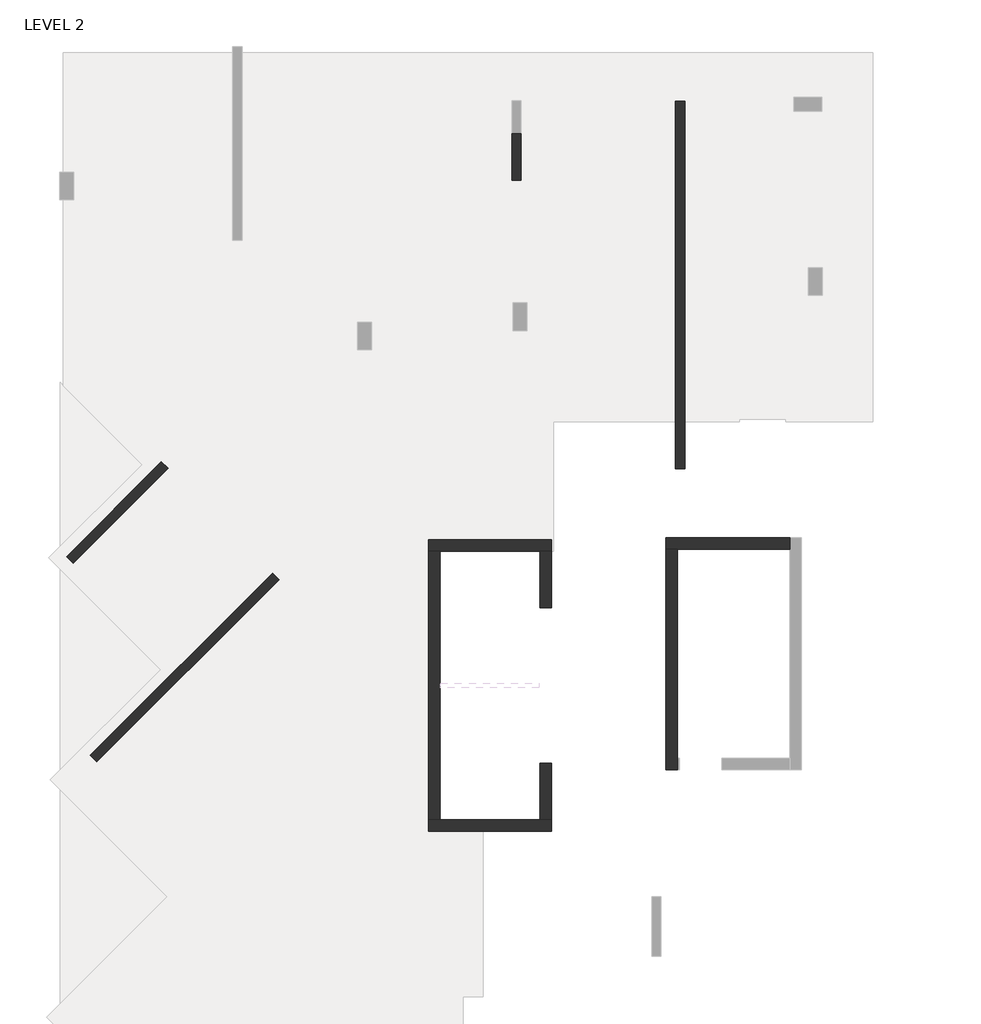
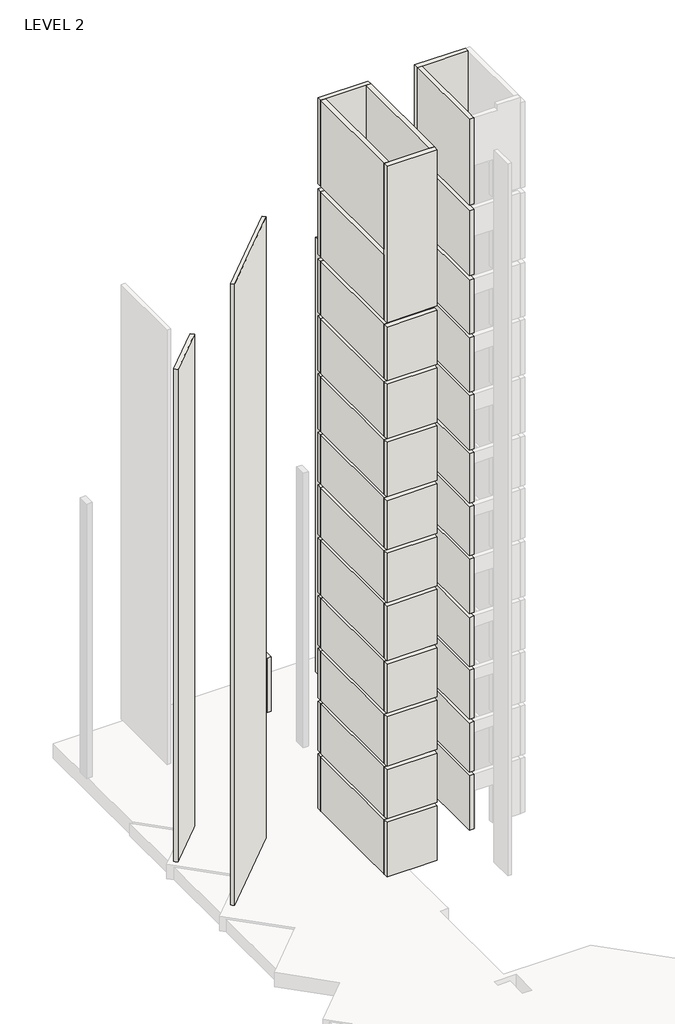
# One storey, part 3 of 9: 10 walls.
"""IFC4 building model written with IfcOpenShell, lengths in millimetres."""

from ifc_helpers import new_model, si_unit, frame, origin, place, context, project, spatial, polyline, outline, extrude, faceted_brep, element, save

model = new_model("IFC4")

# Units and contexts
model_context = context("Model", 3, world=origin())
ifc_project = project(units=[si_unit("LENGTHUNIT", "METRE", prefix="MILLI")], contexts=[model_context])

# Site, building, storey
site = spatial("IfcSite", under=ifc_project)
building = spatial("IfcBuilding", under=site)
storey = spatial("IfcBuildingStorey", under=building, Name="LEVEL 2", Elevation=6400.0)

# Walls
placement = place(None, origin())
element("IfcWall", 1, ObjectType="200 WALL", at=placement, inside=storey, context=model_context, shape_type="Brep", body=[
    faceted_brep([(182069.1923148, 206837.3952329, 6400.0), (178123.5364758, 202891.7393938, 6400.0), (178123.5364758, 202891.7393938, 41150.0), (182069.1923148, 206837.3952329, 41150.0), (182210.613671, 206695.9738766, 6400.0), (182210.613671, 206695.9738766, 41150.0), (180097.1039479, 204582.4641535, 41150.0), (178264.957832, 202750.3180376, 41150.0), (178264.957832, 202750.3180376, 40450.0), (178264.957832, 202750.3180376, 6400.0)], [[[0, 1, 2, 3]], [[4, 5, 6, 7, 8, 9]], [[1, 0, 4, 9]], [[2, 1, 9, 8, 7]], [[3, 2, 7, 6, 5]], [[0, 3, 5, 4]]]),
])
element("IfcWall", 2, ObjectType="200 WALL", at=placement, inside=storey, context=model_context, shape_type="SweptSolid", body=[
    extrude(outline(polyline([(190806.1491689, 209100.6983002), (190806.1491689, 217062.6490083), (191006.1491689, 217062.6490083), (191006.1491689, 209100.6983002), (190806.1491689, 209100.6983002)])), frame((0.0, 0.0, 6400.0), z_axis=(0.0, 0.0, 1.0), x_axis=(1.0, 0.0, 0.0)), (0.0, 0.0, 1.0), 24300.0),
])
element("IfcWall", 3, ObjectType="200 WALL", at=placement, inside=storey, context=model_context, shape_type="SweptSolid", body=[
    extrude(outline(polyline([(177611.623612, 207195.22371), (179662.4109468, 209246.0110447), (179803.832303, 209104.5896885), (177753.0449682, 207053.8023537), (177611.623612, 207195.22371)])), frame((0.0, 0.0, 6400.0), z_axis=(0.0, 0.0, 1.0), x_axis=(1.0, 0.0, 0.0)), (0.0, 0.0, 1.0), 27550.0),
])
element("IfcWall", 4, ObjectType="200 WALL", at=placement, inside=storey, context=model_context, shape_type="Brep", body=[
    faceted_brep([(187456.1491689, 215350.1490053, 6400.0), (187456.1491689, 216350.1490053, 6400.0), (187456.1491689, 216350.1490053, 6425.0), (187456.1491689, 216350.1490053, 9450.0), (187456.1491689, 215350.1490053, 9450.0), (187256.1491689, 215350.1490053, 6400.0), (187256.1491689, 215350.1490053, 9450.0), (187256.1491689, 216350.1490053, 9450.0), (187256.1491689, 216350.1490053, 6425.0), (187256.1491689, 216350.1490053, 6400.0)], [[[0, 1, 2, 3, 4]], [[5, 6, 7, 8, 9]], [[1, 0, 5, 9]], [[3, 2, 1, 9, 8, 7]], [[4, 3, 7, 6]], [[0, 4, 6, 5]]]),
])
element("IfcWall", 5, ObjectType="250 WALL", at=placement, inside=storey, context=model_context, shape_type="Brep", body=[
    faceted_brep([(190591.1489175, 207358.1983002, 6400.0), (190841.1489175, 207358.1983002, 6400.0), (193281.1958691, 207358.1983002, 6400.0), (193281.1958691, 207358.1983002, 9450.0), (190841.1489175, 207358.1983002, 9450.0), (190591.1489175, 207358.1983002, 9450.0), (193281.1958691, 207608.1983002, 6400.0), (190591.1489175, 207608.1983002, 6400.0), (190591.1489175, 207608.1983002, 9450.0), (193281.1958691, 207608.1983002, 9450.0)], [[[0, 1, 2, 3, 4, 5]], [[6, 7, 8, 9]], [[2, 1, 0, 7, 6]], [[7, 0, 5, 8]], [[2, 6, 9, 3]], [[4, 3, 9, 8, 5]]]),
    faceted_brep([(193281.1958691, 207358.1983002, 46150.0), (190841.1489175, 207358.1983002, 46150.0), (190591.1489175, 207358.1983002, 46150.0), (190591.1489175, 207358.1983002, 41350.0), (190841.1489175, 207358.1983002, 41350.0), (193281.1958691, 207358.1983002, 41350.0), (190591.1489175, 207608.1983002, 46150.0), (193281.1958691, 207608.1983002, 46150.0), (193281.1958691, 207608.1983002, 41350.0), (190591.1489175, 207608.1983002, 41350.0)], [[[0, 1, 2, 3, 4, 5]], [[6, 7, 8, 9]], [[2, 1, 0, 7, 6]], [[2, 6, 9, 3]], [[7, 0, 5, 8]], [[4, 3, 9, 8, 5]]]),
    faceted_brep([(193281.1958691, 207358.1983002, 30700.0), (190841.1489175, 207358.1983002, 30700.0), (190591.1489175, 207358.1983002, 30700.0), (190591.1489175, 207358.1983002, 27650.0), (190841.1489175, 207358.1983002, 27650.0), (193281.1958691, 207358.1983002, 27650.0), (190591.1489175, 207608.1983002, 30700.0), (193281.1958691, 207608.1983002, 30700.0), (193281.1958691, 207608.1983002, 27650.0), (190591.1489175, 207608.1983002, 27650.0)], [[[0, 1, 2, 3, 4, 5]], [[6, 7, 8, 9]], [[2, 6, 9, 3]], [[7, 0, 5, 8]], [[1, 0, 7, 6, 2]], [[5, 4, 3, 9, 8]]]),
    faceted_brep([(190841.1489175, 207358.1983002, 30900.0), (193281.1958691, 207358.1983002, 30900.0), (193281.1958691, 207358.1983002, 33950.0), (190841.1489175, 207358.1983002, 33950.0), (190591.1489175, 207358.1983002, 33950.0), (190591.1489175, 207358.1983002, 30900.0), (193281.1958691, 207608.1983002, 30900.0), (190591.1489175, 207608.1983002, 30900.0), (190591.1489175, 207608.1983002, 33950.0), (193281.1958691, 207608.1983002, 33950.0)], [[[0, 1, 2, 3, 4, 5]], [[6, 7, 8, 9]], [[7, 5, 4, 8]], [[1, 6, 9, 2]], [[1, 0, 5, 7, 6]], [[4, 3, 2, 9, 8]]]),
    faceted_brep([(193281.1958691, 207358.1983002, 27450.0), (190841.1489175, 207358.1983002, 27450.0), (190591.1489175, 207358.1983002, 27450.0), (190591.1489175, 207358.1983002, 24700.0), (190841.1489175, 207358.1983002, 24700.0), (193281.1958691, 207358.1983002, 24700.0), (190591.1489175, 207608.1983002, 27450.0), (193281.1958691, 207608.1983002, 27450.0), (193281.1958691, 207608.1983002, 24700.0), (190591.1489175, 207608.1983002, 24700.0)], [[[0, 1, 2, 3, 4, 5]], [[6, 7, 8, 9]], [[2, 6, 9, 3]], [[7, 0, 5, 8]], [[1, 0, 7, 6, 2]], [[4, 3, 9, 8, 5]]]),
    faceted_brep([(190591.1489175, 207358.1983002, 34150.0), (190841.1489175, 207358.1983002, 34150.0), (193281.1958691, 207358.1983002, 34150.0), (193281.1958691, 207358.1983002, 37150.0), (190841.1489175, 207358.1983002, 37150.0), (190591.1489175, 207358.1983002, 37150.0), (193281.1958691, 207608.1983002, 34150.0), (190591.1489175, 207608.1983002, 34150.0), (190591.1489175, 207608.1983002, 37150.0), (193281.1958691, 207608.1983002, 37150.0)], [[[0, 1, 2, 3, 4, 5]], [[6, 7, 8, 9]], [[7, 0, 5, 8]], [[2, 6, 9, 3]], [[1, 0, 7, 6, 2]], [[5, 4, 3, 9, 8]]]),
    faceted_brep([(190591.1489175, 207358.1983002, 37400.0), (190841.1489175, 207358.1983002, 37400.0), (193281.1958691, 207358.1983002, 37400.0), (193281.1958691, 207358.1983002, 41050.0), (190841.1489175, 207358.1983002, 41050.0), (190591.1489175, 207358.1983002, 41050.0), (193281.1958691, 207608.1983002, 37400.0), (190591.1489175, 207608.1983002, 37400.0), (190591.1489175, 207608.1983002, 41050.0), (193281.1958691, 207608.1983002, 41050.0)], [[[0, 1, 2, 3, 4, 5]], [[6, 7, 8, 9]], [[7, 0, 5, 8]], [[2, 6, 9, 3]], [[1, 0, 7, 6, 2]], [[5, 4, 3, 9, 8]]]),
    faceted_brep([(193281.1958691, 207358.1983002, 21550.0), (190841.1489175, 207358.1983002, 21550.0), (190591.1489175, 207358.1983002, 21550.0), (190591.1489175, 207358.1983002, 18500.0), (190841.1489175, 207358.1983002, 18500.0), (193281.1958691, 207358.1983002, 18500.0), (190591.1489175, 207608.1983002, 21550.0), (193281.1958691, 207608.1983002, 21550.0), (193281.1958691, 207608.1983002, 18500.0), (190591.1489175, 207608.1983002, 18500.0)], [[[0, 1, 2, 3, 4, 5]], [[6, 7, 8, 9]], [[2, 6, 9, 3]], [[7, 0, 5, 8]], [[1, 0, 7, 6, 2]], [[5, 4, 3, 9, 8]]]),
    faceted_brep([(190841.1489175, 207358.1983002, 21750.0), (193281.1958691, 207358.1983002, 21750.0), (193281.1958691, 207358.1983002, 24500.0), (190841.1489175, 207358.1983002, 24500.0), (190591.1489175, 207358.1983002, 24500.0), (190591.1489175, 207358.1983002, 21750.0), (193281.1958691, 207608.1983002, 21750.0), (190591.1489175, 207608.1983002, 21750.0), (190591.1489175, 207608.1983002, 24500.0), (193281.1958691, 207608.1983002, 24500.0)], [[[0, 1, 2, 3, 4, 5]], [[6, 7, 8, 9]], [[7, 5, 4, 8]], [[1, 6, 9, 2]], [[1, 0, 5, 7, 6]], [[4, 3, 2, 9, 8]]]),
    faceted_brep([(193281.1958691, 207358.1983002, 18300.0), (190841.1489175, 207358.1983002, 18300.0), (190591.1489175, 207358.1983002, 18300.0), (190591.1489175, 207358.1983002, 15550.0), (190841.1489175, 207358.1983002, 15550.0), (193281.1958691, 207358.1983002, 15550.0), (190591.1489175, 207608.1983002, 18300.0), (193281.1958691, 207608.1983002, 18300.0), (193281.1958691, 207608.1983002, 15550.0), (190591.1489175, 207608.1983002, 15550.0)], [[[0, 1, 2, 3, 4, 5]], [[6, 7, 8, 9]], [[2, 6, 9, 3]], [[7, 0, 5, 8]], [[1, 0, 7, 6, 2]], [[5, 4, 3, 9, 8]]]),
    faceted_brep([(193281.1958691, 207358.1983002, 15350.0), (190841.1489175, 207358.1983002, 15350.0), (190591.1489175, 207358.1983002, 15350.0), (190591.1489175, 207358.1983002, 12600.0), (190841.1489175, 207358.1983002, 12600.0), (193281.1958691, 207358.1983002, 12600.0), (190591.1489175, 207608.1983002, 15350.0), (193281.1958691, 207608.1983002, 15350.0), (193281.1958691, 207608.1983002, 12600.0), (190591.1489175, 207608.1983002, 12600.0)], [[[0, 1, 2, 3, 4, 5]], [[6, 7, 8, 9]], [[2, 6, 9, 3]], [[7, 0, 5, 8]], [[1, 0, 7, 6, 2]], [[5, 4, 3, 9, 8]]]),
    faceted_brep([(193281.1958691, 207358.1983002, 12400.0), (190841.1489175, 207358.1983002, 12400.0), (190591.1489175, 207358.1983002, 12400.0), (190591.1489175, 207358.1983002, 9650.0), (190841.1489175, 207358.1983002, 9650.0), (193281.1958691, 207358.1983002, 9650.0), (190591.1489175, 207608.1983002, 12400.0), (193281.1958691, 207608.1983002, 12400.0), (193281.1958691, 207608.1983002, 9650.0), (190591.1489175, 207608.1983002, 9650.0)], [[[0, 1, 2, 3, 4, 5]], [[6, 7, 8, 9]], [[2, 6, 9, 3]], [[7, 0, 5, 8]], [[1, 0, 7, 6, 2]], [[5, 4, 3, 9, 8]]]),
])
element("IfcWall", 6, ObjectType="250 WALL", at=placement, inside=storey, context=model_context, shape_type="Brep", body=[
    faceted_brep([(190841.1489175, 202578.1983002, 6400.0), (190841.1489175, 202828.1983002, 6400.0), (190841.1489175, 207358.1983002, 6400.0), (190841.1489175, 207358.1983002, 9450.0), (190841.1489175, 204453.1983002, 9450.0), (190841.1489175, 202578.1983002, 9450.0), (190591.1489175, 207358.1983002, 6400.0), (190591.1489175, 202578.1983002, 6400.0), (190591.1489175, 202578.1983002, 9450.0), (190591.1489175, 207358.1983002, 9450.0)], [[[0, 1, 2, 3, 4, 5]], [[6, 7, 8, 9]], [[2, 1, 0, 7, 6]], [[2, 6, 9, 3]], [[7, 0, 5, 8]], [[4, 3, 9, 8, 5]]]),
    faceted_brep([(190841.1489175, 204453.1983002, 9650.0), (190841.1489175, 207358.1983002, 9650.0), (190841.1489175, 207358.1983002, 12400.0), (190841.1489175, 204453.1983002, 12400.0), (190841.1489175, 202578.1983002, 12400.0), (190841.1489175, 202578.1983002, 9650.0), (190591.1489175, 207358.1983002, 9650.0), (190591.1489175, 202578.1983002, 9650.0), (190591.1489175, 202578.1983002, 12400.0), (190591.1489175, 207358.1983002, 12400.0)], [[[0, 1, 2, 3, 4, 5]], [[6, 7, 8, 9]], [[1, 6, 9, 2]], [[7, 5, 4, 8]], [[1, 0, 5, 7, 6]], [[4, 3, 2, 9, 8]]]),
    faceted_brep([(190841.1489175, 202578.1983002, 12600.0), (190841.1489175, 204453.1983002, 12600.0), (190841.1489175, 207358.1983002, 12600.0), (190841.1489175, 207358.1983002, 15350.0), (190841.1489175, 204453.1983002, 15350.0), (190841.1489175, 202578.1983002, 15350.0), (190591.1489175, 207358.1983002, 12600.0), (190591.1489175, 202578.1983002, 12600.0), (190591.1489175, 202578.1983002, 15350.0), (190591.1489175, 207358.1983002, 15350.0)], [[[0, 1, 2, 3, 4, 5]], [[6, 7, 8, 9]], [[2, 6, 9, 3]], [[7, 0, 5, 8]], [[1, 0, 7, 6, 2]], [[5, 4, 3, 9, 8]]]),
    faceted_brep([(190841.1489175, 202578.1983002, 15550.0), (190841.1489175, 204453.1983002, 15550.0), (190841.1489175, 207358.1983002, 15550.0), (190841.1489175, 207358.1983002, 18300.0), (190841.1489175, 204453.1983002, 18300.0), (190841.1489175, 202578.1983002, 18300.0), (190591.1489175, 207358.1983002, 15550.0), (190591.1489175, 202578.1983002, 15550.0), (190591.1489175, 202578.1983002, 18300.0), (190591.1489175, 207358.1983002, 18300.0)], [[[0, 1, 2, 3, 4, 5]], [[6, 7, 8, 9]], [[2, 6, 9, 3]], [[7, 0, 5, 8]], [[1, 0, 7, 6, 2]], [[5, 4, 3, 9, 8]]]),
    faceted_brep([(190841.1489175, 202578.1983002, 18500.0), (190841.1489175, 204453.1983002, 18500.0), (190841.1489175, 207358.1983002, 18500.0), (190841.1489175, 207358.1983002, 21550.0), (190841.1489175, 204198.1983002, 21550.0), (190841.1489175, 202578.1983002, 21550.0), (190591.1489175, 207358.1983002, 18500.0), (190591.1489175, 202578.1983002, 18500.0), (190591.1489175, 202578.1983002, 21550.0), (190591.1489175, 207358.1983002, 21550.0)], [[[0, 1, 2, 3, 4, 5]], [[6, 7, 8, 9]], [[2, 6, 9, 3]], [[7, 0, 5, 8]], [[1, 0, 7, 6, 2]], [[5, 4, 3, 9, 8]]]),
    faceted_brep([(190841.1489175, 202578.1983002, 21750.0), (190841.1489175, 204198.1983002, 21750.0), (190841.1489175, 207358.1983002, 21750.0), (190841.1489175, 207358.1983002, 24500.0), (190841.1489175, 204453.1983002, 24500.0), (190841.1489175, 202578.1983002, 24500.0), (190591.1489175, 207358.1983002, 21750.0), (190591.1489175, 202578.1983002, 21750.0), (190591.1489175, 202578.1983002, 24500.0), (190591.1489175, 207358.1983002, 24500.0)], [[[0, 1, 2, 3, 4, 5]], [[6, 7, 8, 9]], [[2, 6, 9, 3]], [[7, 0, 5, 8]], [[1, 0, 7, 6, 2]], [[5, 4, 3, 9, 8]]]),
    faceted_brep([(190841.1489175, 202578.1983002, 24700.0), (190841.1489175, 204453.1983002, 24700.0), (190841.1489175, 207358.1983002, 24700.0), (190841.1489175, 207358.1983002, 27450.0), (190841.1489175, 204453.1983002, 27450.0), (190841.1489175, 202578.1983002, 27450.0), (190591.1489175, 207358.1983002, 24700.0), (190591.1489175, 202578.1983002, 24700.0), (190591.1489175, 202578.1983002, 27450.0), (190591.1489175, 207358.1983002, 27450.0)], [[[0, 1, 2, 3, 4, 5]], [[6, 7, 8, 9]], [[2, 6, 9, 3]], [[7, 0, 5, 8]], [[1, 0, 7, 6, 2]], [[5, 4, 3, 9, 8]]]),
    faceted_brep([(190841.1489175, 202578.1983002, 27650.0), (190841.1489175, 204453.1983002, 27650.0), (190841.1489175, 207358.1983002, 27650.0), (190841.1489175, 207358.1983002, 30700.0), (190841.1489175, 204198.1983002, 30700.0), (190841.1489175, 202578.1983002, 30700.0), (190591.1489175, 207358.1983002, 27650.0), (190591.1489175, 202578.1983002, 27650.0), (190591.1489175, 202578.1983002, 30700.0), (190591.1489175, 207358.1983002, 30700.0)], [[[0, 1, 2, 3, 4, 5]], [[6, 7, 8, 9]], [[2, 6, 9, 3]], [[7, 0, 5, 8]], [[1, 0, 7, 6, 2]], [[5, 4, 3, 9, 8]]]),
    faceted_brep([(190841.1489175, 202578.1983002, 30900.0), (190841.1489175, 204198.1983002, 30900.0), (190841.1489175, 207358.1983002, 30900.0), (190841.1489175, 207358.1983002, 33950.0), (190841.1489175, 204198.1983002, 33950.0), (190841.1489175, 202578.1983002, 33950.0), (190591.1489175, 207358.1983002, 30900.0), (190591.1489175, 202578.1983002, 30900.0), (190591.1489175, 202578.1983002, 33950.0), (190591.1489175, 207358.1983002, 33950.0)], [[[0, 1, 2, 3, 4, 5]], [[6, 7, 8, 9]], [[2, 6, 9, 3]], [[7, 0, 5, 8]], [[1, 0, 7, 6, 2]], [[5, 4, 3, 9, 8]]]),
    faceted_brep([(190841.1489175, 202578.1983002, 34150.0), (190841.1489175, 204198.1983002, 34150.0), (190841.1489175, 207358.1983002, 34150.0), (190841.1489175, 207358.1983002, 37150.0), (190841.1489175, 204198.1983002, 37150.0), (190841.1489175, 202578.1983002, 37150.0), (190591.1489175, 207358.1983002, 34150.0), (190591.1489175, 202578.1983002, 34150.0), (190591.1489175, 202578.1983002, 37150.0), (190591.1489175, 207358.1983002, 37150.0)], [[[0, 1, 2, 3, 4, 5]], [[6, 7, 8, 9]], [[2, 6, 9, 3]], [[7, 0, 5, 8]], [[1, 0, 7, 6, 2]], [[5, 4, 3, 9, 8]]]),
    faceted_brep([(190841.1489175, 202578.1983002, 37400.0), (190841.1489175, 204198.1983002, 37400.0), (190841.1489175, 207358.1983002, 37400.0), (190841.1489175, 207358.1983002, 41050.0), (190841.1489175, 202578.1983002, 41050.0), (190591.1489175, 207358.1983002, 37400.0), (190591.1489175, 202578.1983002, 37400.0), (190591.1489175, 202578.1983002, 41050.0), (190591.1489175, 207358.1983002, 41050.0)], [[[0, 1, 2, 3, 4]], [[5, 6, 7, 8]], [[2, 5, 8, 3]], [[6, 0, 4, 7]], [[1, 0, 6, 5, 2]], [[4, 3, 8, 7]]]),
    faceted_brep([(190841.1489175, 202578.1983002, 41350.0), (190841.1489175, 207358.1983002, 41350.0), (190841.1489175, 207358.1983002, 46150.0), (190841.1489175, 202578.1983002, 46150.0), (190591.1489175, 207358.1983002, 41350.0), (190591.1489175, 202578.1983002, 41350.0), (190591.1489175, 202578.1983002, 46150.0), (190591.1489175, 207358.1983002, 46150.0)], [[[0, 1, 2, 3]], [[4, 5, 6, 7]], [[1, 4, 7, 2]], [[5, 0, 3, 6]], [[1, 0, 5, 4]], [[3, 2, 7, 6]]]),
])
element("IfcWall", 7, ObjectType="250 WALL", at=placement, inside=storey, context=model_context, shape_type="SweptSolid", body=[
    extrude(outline(polyline([(202718.2322067, 8635.0), (202718.2322067, 6400.0), (201493.1983002, 6400.0), (201493.1983002, 9450.0), (207308.1983002, 9450.0), (207308.1983002, 6400.0), (206083.2322067, 6400.0), (206083.2322067, 8635.0), (202718.2322067, 8635.0)])), frame((187861.1489205, 0.0, 0.0), z_axis=(1.0, 0.0, 0.0), x_axis=(0.0, 1.0, 0.0)), (0.0, 0.0, 1.0), 250.0),
    extrude(outline(polyline([(202718.2322067, 11885.0), (202718.2322067, 9650.0), (201493.1983002, 9650.0), (201493.1983002, 12400.0), (207308.1983002, 12400.0), (207308.1983002, 9650.0), (206083.2322067, 9650.0), (206083.2322067, 11885.0), (202718.2322067, 11885.0)])), frame((187861.1489205, 0.0, 0.0), z_axis=(1.0, 0.0, 0.0), x_axis=(0.0, 1.0, 0.0)), (0.0, 0.0, 1.0), 250.0),
    extrude(outline(polyline([(202718.2322067, 14835.0), (202718.2322067, 12600.0), (201493.1983002, 12600.0), (201493.1983002, 15350.0), (207308.1983002, 15350.0), (207308.1983002, 12600.0), (206083.2322067, 12600.0), (206083.2322067, 14835.0), (202718.2322067, 14835.0)])), frame((187861.1489205, 0.0, 0.0), z_axis=(1.0, 0.0, 0.0), x_axis=(0.0, 1.0, 0.0)), (0.0, 0.0, 1.0), 250.0),
    extrude(outline(polyline([(202718.2322067, 17785.0), (202718.2322067, 15550.0), (201493.1983002, 15550.0), (201493.1983002, 18300.0), (207308.1983002, 18300.0), (207308.1983002, 15550.0), (206083.2322067, 15550.0), (206083.2322067, 17785.0), (202718.2322067, 17785.0)])), frame((187861.1489205, 0.0, 0.0), z_axis=(1.0, 0.0, 0.0), x_axis=(0.0, 1.0, 0.0)), (0.0, 0.0, 1.0), 250.0),
    extrude(outline(polyline([(202718.2322067, 20735.0), (202718.2322067, 18500.0), (201493.1983002, 18500.0), (201493.1983002, 21550.0), (207308.1983002, 21550.0), (207308.1983002, 18500.0), (206083.2322067, 18500.0), (206083.2322067, 20735.0), (202718.2322067, 20735.0)])), frame((187861.1489205, 0.0, 0.0), z_axis=(1.0, 0.0, 0.0), x_axis=(0.0, 1.0, 0.0)), (0.0, 0.0, 1.0), 250.0),
    extrude(outline(polyline([(202718.2322067, 23985.0), (202718.2322067, 21750.0), (201493.1983002, 21750.0), (201493.1983002, 24500.0), (207308.1983002, 24500.0), (207308.1983002, 21750.0), (206083.2322067, 21750.0), (206083.2322067, 23985.0), (202718.2322067, 23985.0)])), frame((187861.1489205, 0.0, 0.0), z_axis=(1.0, 0.0, 0.0), x_axis=(0.0, 1.0, 0.0)), (0.0, 0.0, 1.0), 250.0),
    extrude(outline(polyline([(202718.2322067, 26935.0), (202718.2322067, 24700.0), (201493.1983002, 24700.0), (201493.1983002, 27450.0), (207308.1983002, 27450.0), (207308.1983002, 24700.0), (206083.2322067, 24700.0), (206083.2322067, 26935.0), (202718.2322067, 26935.0)])), frame((187861.1489205, 0.0, 0.0), z_axis=(1.0, 0.0, 0.0), x_axis=(0.0, 1.0, 0.0)), (0.0, 0.0, 1.0), 250.0),
    extrude(outline(polyline([(202718.2322067, 29885.0), (202718.2322067, 27650.0), (201493.1983002, 27650.0), (201493.1983002, 30700.0), (207308.1983002, 30700.0), (207308.1983002, 27650.0), (206083.2322067, 27650.0), (206083.2322067, 29885.0), (202718.2322067, 29885.0)])), frame((187861.1489205, 0.0, 0.0), z_axis=(1.0, 0.0, 0.0), x_axis=(0.0, 1.0, 0.0)), (0.0, 0.0, 1.0), 250.0),
    extrude(outline(polyline([(202718.2322067, 33135.0), (202718.2322067, 30900.0), (201493.1983002, 30900.0), (201493.1983002, 33950.0), (207308.1983002, 33950.0), (207308.1983002, 30900.0), (206083.2322067, 30900.0), (206083.2322067, 33135.0), (202718.2322067, 33135.0)])), frame((187861.1489205, 0.0, 0.0), z_axis=(1.0, 0.0, 0.0), x_axis=(0.0, 1.0, 0.0)), (0.0, 0.0, 1.0), 250.0),
    extrude(outline(polyline([(202718.2322067, 36385.0), (202718.2322067, 34150.0), (201493.1983002, 34150.0), (201493.1983002, 37150.0), (207308.1983002, 37150.0), (207308.1983002, 34150.0), (206083.2322067, 34150.0), (206083.2322067, 36385.0), (202718.2322067, 36385.0)])), frame((187861.1489205, 0.0, 0.0), z_axis=(1.0, 0.0, 0.0), x_axis=(0.0, 1.0, 0.0)), (0.0, 0.0, 1.0), 250.0),
    extrude(outline(polyline([(202718.2322067, 39635.0), (202718.2322067, 37400.0), (201493.1983002, 37400.0), (201493.1983002, 46150.0), (207308.1983002, 46150.0), (207308.1983002, 41350.0), (202193.1983002, 41350.0), (202193.1983002, 41050.0), (207308.1983002, 41050.0), (207308.1983002, 37400.0), (206083.2322067, 37400.0), (206083.2322067, 39635.0), (202718.2322067, 39635.0)])), frame((187861.1489205, 0.0, 0.0), z_axis=(1.0, 0.0, 0.0), x_axis=(0.0, 1.0, 0.0)), (0.0, 0.0, 1.0), 250.0),
])
element("IfcWall", 8, ObjectType="250 WALL", at=placement, inside=storey, context=model_context, shape_type="SweptSolid", body=[
    extrude(outline(polyline([(185451.1489205, 201493.1983002), (185451.1489205, 207308.1983002), (185701.1489205, 207308.1983002), (185701.1489205, 201493.1983002), (185451.1489205, 201493.1983002)])), frame((0.0, 0.0, 6400.0), z_axis=(0.0, 0.0, 1.0), x_axis=(1.0, 0.0, 0.0)), (0.0, 0.0, 1.0), 3050.0),
    extrude(outline(polyline([(185451.1489205, 201493.1983002), (185451.1489205, 207308.1983002), (185701.1489205, 207308.1983002), (185701.1489205, 201493.1983002), (185451.1489205, 201493.1983002)])), frame((0.0, 0.0, 27650.0), z_axis=(0.0, 0.0, 1.0), x_axis=(1.0, 0.0, 0.0)), (0.0, 0.0, 1.0), 3050.0),
    extrude(outline(polyline([(185451.1489205, 201493.1983002), (185451.1489205, 207308.1983002), (185701.1489205, 207308.1983002), (185701.1489205, 201493.1983002), (185451.1489205, 201493.1983002)])), frame((0.0, 0.0, 30900.0), z_axis=(0.0, 0.0, 1.0), x_axis=(1.0, 0.0, 0.0)), (0.0, 0.0, 1.0), 3050.0),
    extrude(outline(polyline([(185451.1489205, 201493.1983002), (185451.1489205, 207308.1983002), (185701.1489205, 207308.1983002), (185701.1489205, 201493.1983002), (185451.1489205, 201493.1983002)])), frame((0.0, 0.0, 21750.0), z_axis=(0.0, 0.0, 1.0), x_axis=(1.0, 0.0, 0.0)), (0.0, 0.0, 1.0), 2750.0),
    extrude(outline(polyline([(185451.1489205, 201493.1983002), (185451.1489205, 207308.1983002), (185701.1489205, 207308.1983002), (185701.1489205, 201493.1983002), (185451.1489205, 201493.1983002)])), frame((0.0, 0.0, 24700.0), z_axis=(0.0, 0.0, 1.0), x_axis=(1.0, 0.0, 0.0)), (0.0, 0.0, 1.0), 2750.0),
    extrude(outline(polyline([(185451.1489205, 201493.1983002), (185451.1489205, 207308.1983002), (185701.1489205, 207308.1983002), (185701.1489205, 201493.1983002), (185451.1489205, 201493.1983002)])), frame((0.0, 0.0, 34150.0), z_axis=(0.0, 0.0, 1.0), x_axis=(1.0, 0.0, 0.0)), (0.0, 0.0, 1.0), 3000.0),
    extrude(outline(polyline([(185451.1489205, 201493.1983002), (185451.1489205, 207308.1983002), (185701.1489205, 207308.1983002), (185701.1489205, 201493.1983002), (185451.1489205, 201493.1983002)])), frame((0.0, 0.0, 37400.0), z_axis=(0.0, 0.0, 1.0), x_axis=(1.0, 0.0, 0.0)), (0.0, 0.0, 1.0), 3650.0),
    extrude(outline(polyline([(185451.1489205, 201493.1983002), (185451.1489205, 207308.1983002), (185701.1489205, 207308.1983002), (185701.1489205, 201493.1983002), (185451.1489205, 201493.1983002)])), frame((0.0, 0.0, 41350.0), z_axis=(0.0, 0.0, 1.0), x_axis=(1.0, 0.0, 0.0)), (0.0, 0.0, 1.0), 4800.0),
    extrude(outline(polyline([(185451.1489205, 201493.1983002), (185451.1489205, 207308.1983002), (185701.1489205, 207308.1983002), (185701.1489205, 201493.1983002), (185451.1489205, 201493.1983002)])), frame((0.0, 0.0, 15550.0), z_axis=(0.0, 0.0, 1.0), x_axis=(1.0, 0.0, 0.0)), (0.0, 0.0, 1.0), 2750.0),
    extrude(outline(polyline([(185451.1489205, 201493.1983002), (185451.1489205, 207308.1983002), (185701.1489205, 207308.1983002), (185701.1489205, 201493.1983002), (185451.1489205, 201493.1983002)])), frame((0.0, 0.0, 18500.0), z_axis=(0.0, 0.0, 1.0), x_axis=(1.0, 0.0, 0.0)), (0.0, 0.0, 1.0), 3050.0),
    extrude(outline(polyline([(185451.1489205, 201493.1983002), (185451.1489205, 207308.1983002), (185701.1489205, 207308.1983002), (185701.1489205, 201493.1983002), (185451.1489205, 201493.1983002)])), frame((0.0, 0.0, 12600.0), z_axis=(0.0, 0.0, 1.0), x_axis=(1.0, 0.0, 0.0)), (0.0, 0.0, 1.0), 2750.0),
    extrude(outline(polyline([(185451.1489205, 201493.1983002), (185451.1489205, 207308.1983002), (185701.1489205, 207308.1983002), (185701.1489205, 201493.1983002), (185451.1489205, 201493.1983002)])), frame((0.0, 0.0, 9650.0), z_axis=(0.0, 0.0, 1.0), x_axis=(1.0, 0.0, 0.0)), (0.0, 0.0, 1.0), 2750.0),
])
element("IfcWall", 9, ObjectType="250 WALL", at=placement, inside=storey, context=model_context, shape_type="Brep", body=[
    faceted_brep([(188111.1489205, 207558.1983002, 6400.0), (185451.1489205, 207558.1983002, 6400.0), (185451.1489205, 207558.1983002, 9450.0), (188111.1489205, 207558.1983002, 9450.0), (185451.1489205, 207308.1983002, 6400.0), (185701.1489205, 207308.1983002, 6400.0), (187861.1489205, 207308.1983002, 6400.0), (188111.1489205, 207308.1983002, 6400.0), (188111.1489205, 207308.1983002, 9450.0), (187861.1489205, 207308.1983002, 9450.0), (185701.1489205, 207308.1983002, 9450.0), (185451.1489205, 207308.1983002, 9450.0)], [[[0, 1, 2, 3]], [[4, 5, 6, 7, 8, 9, 10, 11]], [[1, 0, 7, 6, 5, 4]], [[7, 0, 3, 8]], [[1, 4, 11, 2]], [[3, 2, 11, 10, 9, 8]]]),
    faceted_brep([(188111.1489205, 207558.1983002, 9650.0), (185451.1489205, 207558.1983002, 9650.0), (185451.1489205, 207558.1983002, 12400.0), (188111.1489205, 207558.1983002, 12400.0), (187861.1489205, 207308.1983002, 9650.0), (188111.1489205, 207308.1983002, 9650.0), (188111.1489205, 207308.1983002, 12400.0), (187861.1489205, 207308.1983002, 12400.0), (185701.1489205, 207308.1983002, 12400.0), (185451.1489205, 207308.1983002, 12400.0), (185451.1489205, 207308.1983002, 9650.0), (185701.1489205, 207308.1983002, 9650.0)], [[[0, 1, 2, 3]], [[4, 5, 6, 7, 8, 9, 10, 11]], [[5, 0, 3, 6]], [[1, 10, 9, 2]], [[1, 0, 5, 4, 11, 10]], [[3, 2, 9, 8, 7, 6]]]),
    faceted_brep([(188111.1489205, 207558.1983002, 12600.0), (185451.1489205, 207558.1983002, 12600.0), (185451.1489205, 207558.1983002, 15350.0), (188111.1489205, 207558.1983002, 15350.0), (185451.1489205, 207308.1983002, 12600.0), (185701.1489205, 207308.1983002, 12600.0), (187861.1489205, 207308.1983002, 12600.0), (188111.1489205, 207308.1983002, 12600.0), (188111.1489205, 207308.1983002, 15350.0), (187861.1489205, 207308.1983002, 15350.0), (185701.1489205, 207308.1983002, 15350.0), (185451.1489205, 207308.1983002, 15350.0)], [[[0, 1, 2, 3]], [[4, 5, 6, 7, 8, 9, 10, 11]], [[7, 0, 3, 8]], [[1, 4, 11, 2]], [[1, 0, 7, 6, 5, 4]], [[3, 2, 11, 10, 9, 8]]]),
    faceted_brep([(188111.1489205, 207558.1983002, 15550.0), (185451.1489205, 207558.1983002, 15550.0), (185451.1489205, 207558.1983002, 18300.0), (188111.1489205, 207558.1983002, 18300.0), (185451.1489205, 207308.1983002, 15550.0), (185701.1489205, 207308.1983002, 15550.0), (187861.1489205, 207308.1983002, 15550.0), (188111.1489205, 207308.1983002, 15550.0), (188111.1489205, 207308.1983002, 18300.0), (187861.1489205, 207308.1983002, 18300.0), (185701.1489205, 207308.1983002, 18300.0), (185451.1489205, 207308.1983002, 18300.0)], [[[0, 1, 2, 3]], [[4, 5, 6, 7, 8, 9, 10, 11]], [[7, 0, 3, 8]], [[1, 4, 11, 2]], [[1, 0, 7, 6, 5, 4]], [[3, 2, 11, 10, 9, 8]]]),
    faceted_brep([(188111.1489205, 207558.1983002, 18500.0), (185451.1489205, 207558.1983002, 18500.0), (185451.1489205, 207558.1983002, 21550.0), (188111.1489205, 207558.1983002, 21550.0), (185451.1489205, 207308.1983002, 18500.0), (185701.1489205, 207308.1983002, 18500.0), (187861.1489205, 207308.1983002, 18500.0), (188111.1489205, 207308.1983002, 18500.0), (188111.1489205, 207308.1983002, 21550.0), (187861.1489205, 207308.1983002, 21550.0), (185701.1489205, 207308.1983002, 21550.0), (185451.1489205, 207308.1983002, 21550.0)], [[[0, 1, 2, 3]], [[4, 5, 6, 7, 8, 9, 10, 11]], [[7, 0, 3, 8]], [[1, 4, 11, 2]], [[1, 0, 7, 6, 5, 4]], [[3, 2, 11, 10, 9, 8]]]),
    faceted_brep([(188111.1489205, 207558.1983002, 21750.0), (185451.1489205, 207558.1983002, 21750.0), (185451.1489205, 207558.1983002, 24500.0), (188111.1489205, 207558.1983002, 24500.0), (185451.1489205, 207308.1983002, 21750.0), (185701.1489205, 207308.1983002, 21750.0), (187861.1489205, 207308.1983002, 21750.0), (188111.1489205, 207308.1983002, 21750.0), (188111.1489205, 207308.1983002, 24500.0), (187861.1489205, 207308.1983002, 24500.0), (185701.1489205, 207308.1983002, 24500.0), (185451.1489205, 207308.1983002, 24500.0)], [[[0, 1, 2, 3]], [[4, 5, 6, 7, 8, 9, 10, 11]], [[7, 0, 3, 8]], [[1, 4, 11, 2]], [[1, 0, 7, 6, 5, 4]], [[3, 2, 11, 10, 9, 8]]]),
    faceted_brep([(188111.1489205, 207558.1983002, 24700.0), (185451.1489205, 207558.1983002, 24700.0), (185451.1489205, 207558.1983002, 27450.0), (188111.1489205, 207558.1983002, 27450.0), (185451.1489205, 207308.1983002, 24700.0), (185701.1489205, 207308.1983002, 24700.0), (187861.1489205, 207308.1983002, 24700.0), (188111.1489205, 207308.1983002, 24700.0), (188111.1489205, 207308.1983002, 27450.0), (187861.1489205, 207308.1983002, 27450.0), (185701.1489205, 207308.1983002, 27450.0), (185451.1489205, 207308.1983002, 27450.0)], [[[0, 1, 2, 3]], [[4, 5, 6, 7, 8, 9, 10, 11]], [[7, 0, 3, 8]], [[1, 4, 11, 2]], [[1, 0, 7, 6, 5, 4]], [[3, 2, 11, 10, 9, 8]]]),
    faceted_brep([(188111.1489205, 207558.1983002, 27650.0), (185451.1489205, 207558.1983002, 27650.0), (185451.1489205, 207558.1983002, 30700.0), (188111.1489205, 207558.1983002, 30700.0), (185451.1489205, 207308.1983002, 27650.0), (185701.1489205, 207308.1983002, 27650.0), (187861.1489205, 207308.1983002, 27650.0), (188111.1489205, 207308.1983002, 27650.0), (188111.1489205, 207308.1983002, 30700.0), (187861.1489205, 207308.1983002, 30700.0), (185701.1489205, 207308.1983002, 30700.0), (185451.1489205, 207308.1983002, 30700.0)], [[[0, 1, 2, 3]], [[4, 5, 6, 7, 8, 9, 10, 11]], [[7, 0, 3, 8]], [[1, 4, 11, 2]], [[1, 0, 7, 6, 5, 4]], [[3, 2, 11, 10, 9, 8]]]),
    faceted_brep([(188111.1489205, 207558.1983002, 30900.0), (185451.1489205, 207558.1983002, 30900.0), (185451.1489205, 207558.1983002, 33950.0), (188111.1489205, 207558.1983002, 33950.0), (185451.1489205, 207308.1983002, 30900.0), (185701.1489205, 207308.1983002, 30900.0), (187861.1489205, 207308.1983002, 30900.0), (188111.1489205, 207308.1983002, 30900.0), (188111.1489205, 207308.1983002, 33950.0), (187861.1489205, 207308.1983002, 33950.0), (185701.1489205, 207308.1983002, 33950.0), (185451.1489205, 207308.1983002, 33950.0)], [[[0, 1, 2, 3]], [[4, 5, 6, 7, 8, 9, 10, 11]], [[7, 0, 3, 8]], [[1, 4, 11, 2]], [[1, 0, 7, 6, 5, 4]], [[3, 2, 11, 10, 9, 8]]]),
    faceted_brep([(188111.1489205, 207558.1983002, 34150.0), (185451.1489205, 207558.1983002, 34150.0), (185451.1489205, 207558.1983002, 37150.0), (188111.1489205, 207558.1983002, 37150.0), (185451.1489205, 207308.1983002, 34150.0), (185701.1489205, 207308.1983002, 34150.0), (187861.1489205, 207308.1983002, 34150.0), (188111.1489205, 207308.1983002, 34150.0), (188111.1489205, 207308.1983002, 37150.0), (187861.1489205, 207308.1983002, 37150.0), (185701.1489205, 207308.1983002, 37150.0), (185451.1489205, 207308.1983002, 37150.0)], [[[0, 1, 2, 3]], [[4, 5, 6, 7, 8, 9, 10, 11]], [[7, 0, 3, 8]], [[1, 4, 11, 2]], [[1, 0, 7, 6, 5, 4]], [[3, 2, 11, 10, 9, 8]]]),
    faceted_brep([(188111.1489205, 207558.1983002, 37400.0), (185451.1489205, 207558.1983002, 37400.0), (185451.1489205, 207558.1983002, 41050.0), (188111.1489205, 207558.1983002, 41050.0), (185451.1489205, 207308.1983002, 37400.0), (185701.1489205, 207308.1983002, 37400.0), (187861.1489205, 207308.1983002, 37400.0), (188111.1489205, 207308.1983002, 37400.0), (188111.1489205, 207308.1983002, 41050.0), (187861.1489205, 207308.1983002, 41050.0), (185701.1489205, 207308.1983002, 41050.0), (185451.1489205, 207308.1983002, 41050.0)], [[[0, 1, 2, 3]], [[4, 5, 6, 7, 8, 9, 10, 11]], [[7, 0, 3, 8]], [[1, 4, 11, 2]], [[1, 0, 7, 6, 5, 4]], [[3, 2, 11, 10, 9, 8]]]),
    faceted_brep([(188111.1489205, 207558.1983002, 41350.0), (185451.1489205, 207558.1983002, 41350.0), (185451.1489205, 207558.1983002, 46150.0), (188111.1489205, 207558.1983002, 46150.0), (185451.1489205, 207308.1983002, 41350.0), (185701.1489205, 207308.1983002, 41350.0), (187861.1489205, 207308.1983002, 41350.0), (188111.1489205, 207308.1983002, 41350.0), (188111.1489205, 207308.1983002, 46150.0), (187861.1489205, 207308.1983002, 46150.0), (185701.1489205, 207308.1983002, 46150.0), (185451.1489205, 207308.1983002, 46150.0)], [[[0, 1, 2, 3]], [[4, 5, 6, 7, 8, 9, 10, 11]], [[7, 0, 3, 8]], [[1, 4, 11, 2]], [[1, 0, 7, 6, 5, 4]], [[3, 2, 11, 10, 9, 8]]]),
])
element("IfcWall", 10, ObjectType="250 WALL", at=placement, inside=storey, context=model_context, shape_type="Brep", body=[
    faceted_brep([(185451.1489205, 201243.1983002, 6400.0), (188111.1489205, 201243.1983002, 6400.0), (188111.1489205, 201243.1983002, 9450.0), (185451.1489205, 201243.1983002, 9450.0), (188111.1489205, 201493.1983002, 6400.0), (187861.1489205, 201493.1983002, 6400.0), (185701.1489205, 201493.1983002, 6400.0), (185451.1489205, 201493.1983002, 6400.0), (185451.1489205, 201493.1983002, 9450.0), (185701.1489205, 201493.1983002, 9450.0), (187861.1489205, 201493.1983002, 9450.0), (188111.1489205, 201493.1983002, 9450.0)], [[[0, 1, 2, 3]], [[4, 5, 6, 7, 8, 9, 10, 11]], [[1, 0, 7, 6, 5, 4]], [[1, 4, 11, 2]], [[7, 0, 3, 8]], [[3, 2, 11, 10, 9, 8]]]),
    faceted_brep([(185451.1489205, 201243.1983002, 9650.0), (188111.1489205, 201243.1983002, 9650.0), (188111.1489205, 201243.1983002, 12400.0), (185451.1489205, 201243.1983002, 12400.0), (185701.1489205, 201493.1983002, 9650.0), (185451.1489205, 201493.1983002, 9650.0), (185451.1489205, 201493.1983002, 12400.0), (185701.1489205, 201493.1983002, 12400.0), (187861.1489205, 201493.1983002, 12400.0), (188111.1489205, 201493.1983002, 12400.0), (188111.1489205, 201493.1983002, 9650.0), (187861.1489205, 201493.1983002, 9650.0)], [[[0, 1, 2, 3]], [[4, 5, 6, 7, 8, 9, 10, 11]], [[1, 10, 9, 2]], [[5, 0, 3, 6]], [[1, 0, 5, 4, 11, 10]], [[3, 2, 9, 8, 7, 6]]]),
    faceted_brep([(185451.1489205, 201243.1983002, 12600.0), (188111.1489205, 201243.1983002, 12600.0), (188111.1489205, 201243.1983002, 15350.0), (185451.1489205, 201243.1983002, 15350.0), (188111.1489205, 201493.1983002, 12600.0), (187861.1489205, 201493.1983002, 12600.0), (185701.1489205, 201493.1983002, 12600.0), (185451.1489205, 201493.1983002, 12600.0), (185451.1489205, 201493.1983002, 15350.0), (185701.1489205, 201493.1983002, 15350.0), (187861.1489205, 201493.1983002, 15350.0), (188111.1489205, 201493.1983002, 15350.0)], [[[0, 1, 2, 3]], [[4, 5, 6, 7, 8, 9, 10, 11]], [[1, 4, 11, 2]], [[7, 0, 3, 8]], [[1, 0, 7, 6, 5, 4]], [[3, 2, 11, 10, 9, 8]]]),
    faceted_brep([(185451.1489205, 201243.1983002, 15550.0), (188111.1489205, 201243.1983002, 15550.0), (188111.1489205, 201243.1983002, 18300.0), (185451.1489205, 201243.1983002, 18300.0), (188111.1489205, 201493.1983002, 15550.0), (187861.1489205, 201493.1983002, 15550.0), (185701.1489205, 201493.1983002, 15550.0), (185451.1489205, 201493.1983002, 15550.0), (185451.1489205, 201493.1983002, 18300.0), (185701.1489205, 201493.1983002, 18300.0), (187861.1489205, 201493.1983002, 18300.0), (188111.1489205, 201493.1983002, 18300.0)], [[[0, 1, 2, 3]], [[4, 5, 6, 7, 8, 9, 10, 11]], [[1, 4, 11, 2]], [[7, 0, 3, 8]], [[1, 0, 7, 6, 5, 4]], [[3, 2, 11, 10, 9, 8]]]),
    faceted_brep([(185451.1489205, 201243.1983002, 18500.0), (188111.1489205, 201243.1983002, 18500.0), (188111.1489205, 201243.1983002, 21550.0), (185451.1489205, 201243.1983002, 21550.0), (188111.1489205, 201493.1983002, 18500.0), (187861.1489205, 201493.1983002, 18500.0), (185701.1489205, 201493.1983002, 18500.0), (185451.1489205, 201493.1983002, 18500.0), (185451.1489205, 201493.1983002, 21550.0), (185701.1489205, 201493.1983002, 21550.0), (187861.1489205, 201493.1983002, 21550.0), (188111.1489205, 201493.1983002, 21550.0)], [[[0, 1, 2, 3]], [[4, 5, 6, 7, 8, 9, 10, 11]], [[1, 4, 11, 2]], [[7, 0, 3, 8]], [[1, 0, 7, 6, 5, 4]], [[3, 2, 11, 10, 9, 8]]]),
    faceted_brep([(185451.1489205, 201243.1983002, 21750.0), (188111.1489205, 201243.1983002, 21750.0), (188111.1489205, 201243.1983002, 24500.0), (185451.1489205, 201243.1983002, 24500.0), (188111.1489205, 201493.1983002, 21750.0), (187861.1489205, 201493.1983002, 21750.0), (185701.1489205, 201493.1983002, 21750.0), (185451.1489205, 201493.1983002, 21750.0), (185451.1489205, 201493.1983002, 24500.0), (185701.1489205, 201493.1983002, 24500.0), (187861.1489205, 201493.1983002, 24500.0), (188111.1489205, 201493.1983002, 24500.0)], [[[0, 1, 2, 3]], [[4, 5, 6, 7, 8, 9, 10, 11]], [[1, 4, 11, 2]], [[7, 0, 3, 8]], [[1, 0, 7, 6, 5, 4]], [[3, 2, 11, 10, 9, 8]]]),
    faceted_brep([(185451.1489205, 201243.1983002, 24700.0), (188111.1489205, 201243.1983002, 24700.0), (188111.1489205, 201243.1983002, 27450.0), (185451.1489205, 201243.1983002, 27450.0), (188111.1489205, 201493.1983002, 24700.0), (187861.1489205, 201493.1983002, 24700.0), (185701.1489205, 201493.1983002, 24700.0), (185451.1489205, 201493.1983002, 24700.0), (185451.1489205, 201493.1983002, 27450.0), (185701.1489205, 201493.1983002, 27450.0), (187861.1489205, 201493.1983002, 27450.0), (188111.1489205, 201493.1983002, 27450.0)], [[[0, 1, 2, 3]], [[4, 5, 6, 7, 8, 9, 10, 11]], [[1, 4, 11, 2]], [[7, 0, 3, 8]], [[1, 0, 7, 6, 5, 4]], [[3, 2, 11, 10, 9, 8]]]),
    faceted_brep([(185451.1489205, 201243.1983002, 27650.0), (188111.1489205, 201243.1983002, 27650.0), (188111.1489205, 201243.1983002, 30700.0), (185451.1489205, 201243.1983002, 30700.0), (188111.1489205, 201493.1983002, 27650.0), (187861.1489205, 201493.1983002, 27650.0), (185701.1489205, 201493.1983002, 27650.0), (185451.1489205, 201493.1983002, 27650.0), (185451.1489205, 201493.1983002, 30700.0), (185701.1489205, 201493.1983002, 30700.0), (187861.1489205, 201493.1983002, 30700.0), (188111.1489205, 201493.1983002, 30700.0)], [[[0, 1, 2, 3]], [[4, 5, 6, 7, 8, 9, 10, 11]], [[1, 4, 11, 2]], [[7, 0, 3, 8]], [[1, 0, 7, 6, 5, 4]], [[3, 2, 11, 10, 9, 8]]]),
    faceted_brep([(185451.1489205, 201243.1983002, 30900.0), (188111.1489205, 201243.1983002, 30900.0), (188111.1489205, 201243.1983002, 33950.0), (185451.1489205, 201243.1983002, 33950.0), (188111.1489205, 201493.1983002, 30900.0), (187861.1489205, 201493.1983002, 30900.0), (185701.1489205, 201493.1983002, 30900.0), (185451.1489205, 201493.1983002, 30900.0), (185451.1489205, 201493.1983002, 33950.0), (185701.1489205, 201493.1983002, 33950.0), (187861.1489205, 201493.1983002, 33950.0), (188111.1489205, 201493.1983002, 33950.0)], [[[0, 1, 2, 3]], [[4, 5, 6, 7, 8, 9, 10, 11]], [[1, 4, 11, 2]], [[7, 0, 3, 8]], [[1, 0, 7, 6, 5, 4]], [[3, 2, 11, 10, 9, 8]]]),
    faceted_brep([(185451.1489205, 201243.1983002, 34150.0), (188111.1489205, 201243.1983002, 34150.0), (188111.1489205, 201243.1983002, 37150.0), (185451.1489205, 201243.1983002, 37150.0), (188111.1489205, 201493.1983002, 34150.0), (187861.1489205, 201493.1983002, 34150.0), (185701.1489205, 201493.1983002, 34150.0), (185451.1489205, 201493.1983002, 34150.0), (185451.1489205, 201493.1983002, 37150.0), (185701.1489205, 201493.1983002, 37150.0), (187861.1489205, 201493.1983002, 37150.0), (188111.1489205, 201493.1983002, 37150.0)], [[[0, 1, 2, 3]], [[4, 5, 6, 7, 8, 9, 10, 11]], [[1, 4, 11, 2]], [[7, 0, 3, 8]], [[1, 0, 7, 6, 5, 4]], [[3, 2, 11, 10, 9, 8]]]),
    faceted_brep([(185451.1489205, 201243.1983002, 37400.0), (188111.1489205, 201243.1983002, 37400.0), (188111.1489205, 201243.1983002, 46150.0), (185451.1489205, 201243.1983002, 46150.0), (188111.1489205, 201493.1983002, 37400.0), (187861.1489205, 201493.1983002, 37400.0), (185701.1489205, 201493.1983002, 37400.0), (185451.1489205, 201493.1983002, 37400.0), (185451.1489205, 201493.1983002, 41050.0), (185451.1489205, 201493.1983002, 41350.0), (185451.1489205, 201493.1983002, 46150.0), (185701.1489205, 201493.1983002, 46150.0), (187861.1489205, 201493.1983002, 46150.0), (188111.1489205, 201493.1983002, 46150.0)], [[[0, 1, 2, 3]], [[4, 5, 6, 7, 8, 9, 10, 11, 12, 13]], [[1, 4, 13, 2]], [[7, 0, 3, 10, 9, 8]], [[1, 0, 7, 6, 5, 4]], [[3, 2, 13, 12, 11, 10]]]),
])

save(model, "model.ifc")
